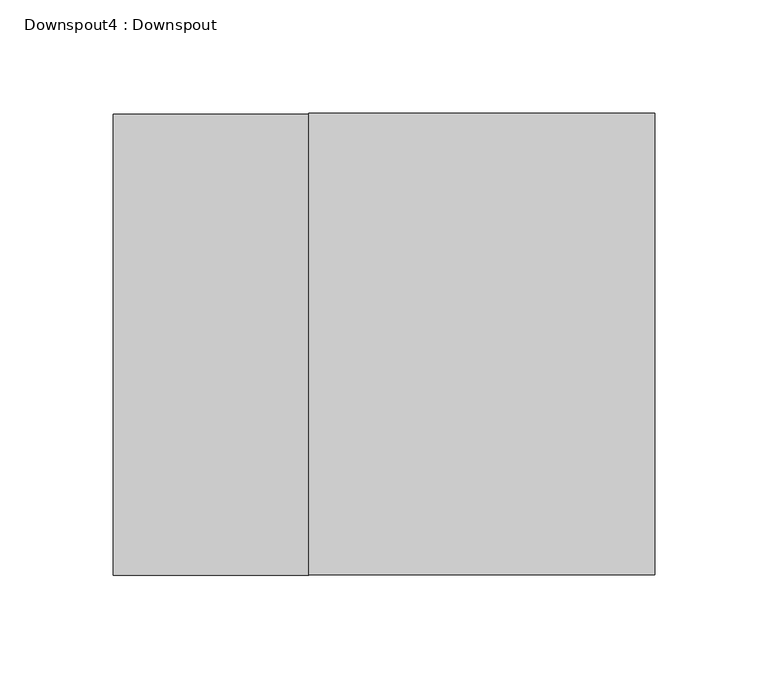
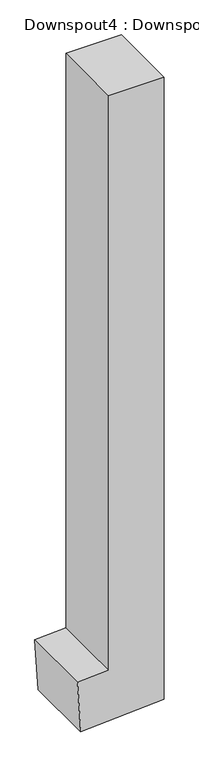
"""IFC4 building model written with IfcOpenShell, lengths in millimetres: proxy geometry, Downspout4 : Downspout."""

from ifc_helpers import new_model, si_unit, frame, origin, place, context, project, spatial, polyline, outline, extrude, source, transform, mapped, element, save


def downspout4_downspout_140f0915(model_context):
    return source(origin(), model_context, "Body", "SweptSolid", [
        extrude(outline(polyline([(4220.2380694, 191495.9557747), (6028.2393596, 191495.9557747), (6028.2393596, 191343.5557747), (4358.643374, 191343.5557747), (4353.2723894, 191257.6200214), (4205.9176891, 191266.8296901), (4220.2380694, 191495.9557747)])), frame((0.0, 300325.8238151, 0.0), z_axis=(0.0, 1.0, 0.0), x_axis=(0.0, 0.0, 1.0)), (0.0, 0.0, 1.0), 203.2),
    ])


if __name__ == "__main__":
    model = new_model("IFC4")
    model_context = context("Model", 3, world=origin())
    ifc_project = project(units=[si_unit("LENGTHUNIT", "METRE", prefix="MILLI")], contexts=[model_context])
    site = spatial("IfcSite", under=ifc_project)
    building = spatial("IfcBuilding", under=site)
    placement = place(None, origin())
    downspout4_downspout_shape = downspout4_downspout_140f0915(model_context)
    element("IfcBuildingElementProxy", 1, Name="Downspout4 : Downspout", ObjectType="Downspout4 : Downspout", at=placement, inside=building, context=model_context, shape_type="MappedRepresentation", body=[
        mapped(downspout4_downspout_shape, transform((0.0, 0.0, 0.0), x_axis=(1.0, 0.0, 0.0), y_axis=(0.0, 1.0, 0.0), z_axis=(0.0, 0.0, 1.0))),
    ])
    save(model, "model.ifc")
